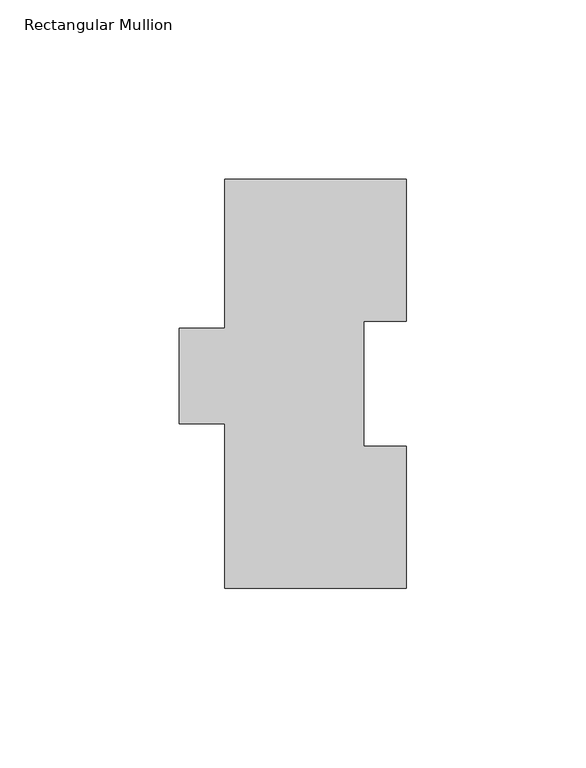
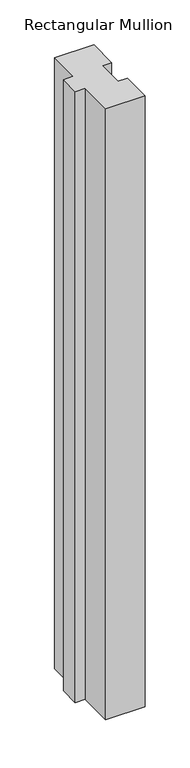
"""IFC4 building model written with IfcOpenShell, lengths in millimetres: member geometry, Rectangular Mullion."""

from ifc_helpers import new_model, si_unit, frame, origin, place, context, project, spatial, polyline, outline, extrude, source, transform, mapped, element, save


def rectangular_mullion_188626ed(model_context):
    return source(origin(), model_context, "Body", "SweptSolid", [
        extrude(outline(polyline([(0.0, 114.271425), (0.0, 74.596625), (-11.9126, 74.596625), (-11.9126, 39.646225), (0.0, 39.646225), (0.0, -0.028575), (-50.8, -0.028575), (-50.8, 46.008925), (-63.5, 46.008925), (-63.5, 72.564625), (-50.8, 72.564625), (-50.8, 114.271425), (0.0, 114.271425)])), frame((0.0, 0.0, -831.85), z_axis=(0.0, 0.0, 1.0), x_axis=(1.0, 0.0, 0.0)), (0.0, 0.0, 1.0), 831.85),
    ])


if __name__ == "__main__":
    model = new_model("IFC4")
    model_context = context("Model", 3, world=origin())
    ifc_project = project(units=[si_unit("LENGTHUNIT", "METRE", prefix="MILLI")], contexts=[model_context])
    site = spatial("IfcSite", under=ifc_project)
    building = spatial("IfcBuilding", under=site)
    placement = place(None, origin())
    rectangular_mullion_shape = rectangular_mullion_188626ed(model_context)
    element("IfcMember", 1, ObjectType="Rectangular Mullion", at=placement, inside=building, context=model_context, shape_type="MappedRepresentation", body=[
        mapped(rectangular_mullion_shape, transform((0.0, 0.0, 0.0), x_axis=(1.0, 0.0, 0.0), y_axis=(0.0, 1.0, 0.0), z_axis=(0.0, 0.0, 1.0))),
    ])
    save(model, "model.ifc")
